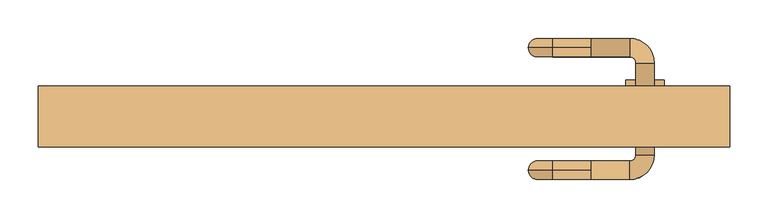
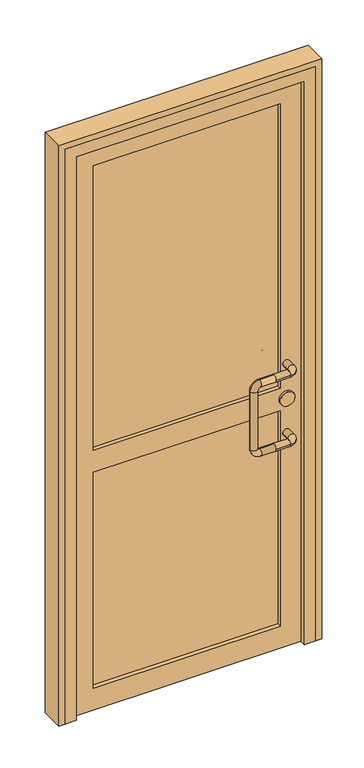
"""IFC4 building model written with IfcOpenShell, lengths in millimetres: door geometry."""

from ifc_helpers import new_model, si_unit, point, frame, frame_2d, origin, place, context, project, spatial, polyline, circle_curve, ellipse_curve, trimmed, segment, composite_curve, outline, extrude, faceted_brep, source, transform, mapped, element, save
from ifc_brep_helpers import cylinder_surface, revolved_surface, advanced_brep


def door_1bb214a2(model_context):
    return source(origin(), model_context, "Body", "SolidModel", [
        advanced_brep(
        [(270.0, 112.0, 1025.0), (270.0, 100.0, 1037.0), (270.0, 88.0, 1025.0), (320.0, 88.0, 1025.0), (320.0, 112.0, 1025.0), (270.0, 100.0, 1013.0), (328.0, 80.0, 1025.0), (352.0, 80.0, 1025.0), (328.0, -40.0, 1025.0), (352.0, -40.0, 1025.0), (320.0, -48.0, 1025.0), (320.0, -72.0, 1025.0), (270.0, -48.0, 1025.0), (270.0, -60.0, 1037.0), (270.0, -72.0, 1025.0), (270.0, -60.0, 1013.0), (220.0, 100.0, 1037.0), (220.0, 100.0, 1013.0), (188.0, 100.0, 1005.0), (212.0, 100.0, 1005.0), (188.0, 100.0, 795.0), (212.0, 100.0, 795.0), (220.0, 100.0, 763.0), (220.0, 100.0, 787.0), (270.0, 100.0, 763.0), (270.0, 88.0, 775.0), (270.0, 100.0, 787.0), (270.0, 112.0, 775.0), (320.0, 88.0, 775.0), (320.0, 112.0, 775.0), (328.0, 80.0, 775.0), (352.0, 80.0, 775.0), (328.0, -40.0, 775.0), (352.0, -40.0, 775.0), (320.0, -48.0, 775.0), (320.0, -72.0, 775.0), (270.0, -48.0, 775.0), (270.0, -60.0, 787.0), (270.0, -72.0, 775.0), (270.0, -60.0, 763.0), (220.0, -60.0, 1037.0), (220.0, -60.0, 1013.0), (188.0, -60.0, 1005.0), (212.0, -60.0, 1005.0), (188.0, -60.0, 795.0), (212.0, -60.0, 795.0), (220.0, -60.0, 763.0), (220.0, -60.0, 787.0)],
        [
            (0, 1, circle_curve(frame((270.0, 100.0, 1025.0), z_axis=(1.0, 0.0, 0.0), x_axis=(0.0, -1.0, 0.0)), 12.0)),
            (1, 2, circle_curve(frame((270.0, 100.0, 1025.0), z_axis=(1.0, 0.0, 0.0), x_axis=(0.0, -1.0, 0.0)), 12.0)),
            (2, 3),
            (3, 4, circle_curve(frame((320.0, 100.0, 1025.0), z_axis=(-1.0, 0.0, 0.0), x_axis=(0.0, -1.0, 0.0)), 12.0)),
            (4, 0),
            (4, 3, circle_curve(frame((320.0, 100.0, 1025.0), z_axis=(-1.0, 0.0, 0.0), x_axis=(0.0, -1.0, 0.0)), 12.0)),
            (2, 5, circle_curve(frame((270.0, 100.0, 1025.0), z_axis=(1.0, 0.0, 0.0), x_axis=(0.0, -1.0, 0.0)), 12.0)),
            (5, 0, circle_curve(frame((270.0, 100.0, 1025.0), z_axis=(1.0, 0.0, 0.0), x_axis=(0.0, -1.0, 0.0)), 12.0)),
            (3, 6, circle_curve(frame((320.0, 80.0, 1025.0), z_axis=(0.0, 0.0, -1.0), x_axis=(0.0, 1.0, 0.0)), 8.0)),
            (6, 7, circle_curve(frame((340.0, 80.0, 1025.0), z_axis=(0.0, 1.0, 0.0), x_axis=(-1.0, 0.0, 0.0)), 12.0)),
            (7, 4, circle_curve(frame((320.0, 80.0, 1025.0), z_axis=(0.0, 0.0, 1.0), x_axis=(0.0, 1.0, 0.0)), 32.0)),
            (7, 6, circle_curve(frame((340.0, 80.0, 1025.0), z_axis=(0.0, 1.0, 0.0), x_axis=(-1.0, 0.0, 0.0)), 12.0)),
            (6, 8),
            (8, 9, circle_curve(frame((340.0, -40.0, 1025.0), z_axis=(0.0, 1.0, 0.0), x_axis=(-1.0, 0.0, 0.0)), 12.0)),
            (9, 7),
            (9, 8, circle_curve(frame((340.0, -40.0, 1025.0), z_axis=(0.0, 1.0, 0.0), x_axis=(-1.0, 0.0, 0.0)), 12.0)),
            (8, 10, circle_curve(frame((320.0, -40.0, 1025.0), z_axis=(0.0, 0.0, -1.0), x_axis=(1.0, 0.0, 0.0)), 8.0)),
            (10, 11, circle_curve(frame((320.0, -60.0, 1025.0), z_axis=(1.0, 0.0, 0.0), x_axis=(0.0, 1.0, 0.0)), 12.0)),
            (11, 9, circle_curve(frame((320.0, -40.0, 1025.0), z_axis=(0.0, 0.0, 1.0), x_axis=(1.0, 0.0, 0.0)), 32.0)),
            (11, 10, circle_curve(frame((320.0, -60.0, 1025.0), z_axis=(1.0, 0.0, 0.0), x_axis=(0.0, 1.0, 0.0)), 12.0)),
            (10, 12),
            (12, 13, circle_curve(frame((270.0, -60.0, 1025.0), z_axis=(1.0, 0.0, 0.0), x_axis=(0.0, 1.0, 0.0)), 12.0)),
            (13, 14, circle_curve(frame((270.0, -60.0, 1025.0), z_axis=(1.0, 0.0, 0.0), x_axis=(0.0, 1.0, 0.0)), 12.0)),
            (14, 11),
            (14, 15, circle_curve(frame((270.0, -60.0, 1025.0), z_axis=(1.0, 0.0, 0.0), x_axis=(0.0, 1.0, 0.0)), 12.0)),
            (15, 12, circle_curve(frame((270.0, -60.0, 1025.0), z_axis=(1.0, 0.0, 0.0), x_axis=(0.0, 1.0, 0.0)), 12.0)),
            (1, 16),
            (16, 17, circle_curve(frame((220.0, 100.0, 1025.0), z_axis=(1.0, 0.0, 0.0), x_axis=(0.0, 0.0, 1.0)), 12.0)),
            (17, 5),
            (17, 16, circle_curve(frame((220.0, 100.0, 1025.0), z_axis=(1.0, 0.0, 0.0), x_axis=(0.0, 0.0, 1.0)), 12.0)),
            (16, 18, circle_curve(frame((220.0, 100.0, 1005.0), z_axis=(0.0, -1.0, 0.0), x_axis=(0.0, 0.0, 1.0)), 32.0)),
            (18, 19, circle_curve(frame((200.0, 100.0, 1005.0), z_axis=(0.0, 0.0, 1.0), x_axis=(-1.0, 0.0, 0.0)), 12.0)),
            (19, 17, circle_curve(frame((220.0, 100.0, 1005.0), z_axis=(0.0, 1.0, 0.0), x_axis=(0.0, 0.0, 1.0)), 8.0)),
            (19, 18, circle_curve(frame((200.0, 100.0, 1005.0), z_axis=(0.0, 0.0, 1.0), x_axis=(-1.0, 0.0, 0.0)), 12.0)),
            (18, 20),
            (20, 21, circle_curve(frame((200.0, 100.0, 795.0), z_axis=(0.0, 0.0, 1.0), x_axis=(-1.0, 0.0, 0.0)), 12.0)),
            (21, 19),
            (21, 20, circle_curve(frame((200.0, 100.0, 795.0), z_axis=(0.0, 0.0, 1.0), x_axis=(-1.0, 0.0, 0.0)), 12.0)),
            (20, 22, circle_curve(frame((220.0, 100.0, 795.0), z_axis=(0.0, -1.0, 0.0), x_axis=(-1.0, 0.0, 0.0)), 32.0)),
            (22, 23, circle_curve(frame((220.0, 100.0, 775.0), z_axis=(-1.0, 0.0, 0.0), x_axis=(0.0, 0.0, -1.0)), 12.0)),
            (23, 21, circle_curve(frame((220.0, 100.0, 795.0), z_axis=(0.0, 1.0, 0.0), x_axis=(-1.0, 0.0, 0.0)), 8.0)),
            (23, 22, circle_curve(frame((220.0, 100.0, 775.0), z_axis=(-1.0, 0.0, 0.0), x_axis=(0.0, 0.0, -1.0)), 12.0)),
            (22, 24),
            (24, 25, circle_curve(frame((270.0, 100.0, 775.0), z_axis=(-1.0, 0.0, 0.0), x_axis=(0.0, 0.0, -1.0)), 12.0)),
            (25, 26, circle_curve(frame((270.0, 100.0, 775.0), z_axis=(-1.0, 0.0, 0.0), x_axis=(0.0, 0.0, -1.0)), 12.0)),
            (26, 23),
            (26, 27, circle_curve(frame((270.0, 100.0, 775.0), z_axis=(-1.0, 0.0, 0.0), x_axis=(0.0, 0.0, -1.0)), 12.0)),
            (27, 24, circle_curve(frame((270.0, 100.0, 775.0), z_axis=(-1.0, 0.0, 0.0), x_axis=(0.0, 0.0, -1.0)), 12.0)),
            (25, 28),
            (28, 29, circle_curve(frame((320.0, 100.0, 775.0), z_axis=(-1.0, 0.0, 0.0), x_axis=(0.0, -1.0, 0.0)), 12.0)),
            (29, 27),
            (29, 28, circle_curve(frame((320.0, 100.0, 775.0), z_axis=(-1.0, 0.0, 0.0), x_axis=(0.0, -1.0, 0.0)), 12.0)),
            (28, 30, circle_curve(frame((320.0, 80.0, 775.0), z_axis=(0.0, 0.0, -1.0), x_axis=(0.0, 1.0, 0.0)), 8.0)),
            (30, 31, circle_curve(frame((340.0, 80.0, 775.0), z_axis=(0.0, 1.0, 0.0), x_axis=(-1.0, 0.0, 0.0)), 12.0)),
            (31, 29, circle_curve(frame((320.0, 80.0, 775.0), z_axis=(0.0, 0.0, 1.0), x_axis=(0.0, 1.0, 0.0)), 32.0)),
            (31, 30, circle_curve(frame((340.0, 80.0, 775.0), z_axis=(0.0, 1.0, 0.0), x_axis=(-1.0, 0.0, 0.0)), 12.0)),
            (30, 32),
            (32, 33, circle_curve(frame((340.0, -40.0, 775.0), z_axis=(0.0, 1.0, 0.0), x_axis=(-1.0, 0.0, 0.0)), 12.0)),
            (33, 31),
            (33, 32, circle_curve(frame((340.0, -40.0, 775.0), z_axis=(0.0, 1.0, 0.0), x_axis=(-1.0, 0.0, 0.0)), 12.0)),
            (32, 34, circle_curve(frame((320.0, -40.0, 775.0), z_axis=(0.0, 0.0, -1.0), x_axis=(1.0, 0.0, 0.0)), 8.0)),
            (34, 35, circle_curve(frame((320.0, -60.0, 775.0), z_axis=(1.0, 0.0, 0.0), x_axis=(0.0, 1.0, 0.0)), 12.0)),
            (35, 33, circle_curve(frame((320.0, -40.0, 775.0), z_axis=(0.0, 0.0, 1.0), x_axis=(1.0, 0.0, 0.0)), 32.0)),
            (35, 34, circle_curve(frame((320.0, -60.0, 775.0), z_axis=(1.0, 0.0, 0.0), x_axis=(0.0, 1.0, 0.0)), 12.0)),
            (34, 36),
            (36, 37, circle_curve(frame((270.0, -60.0, 775.0), z_axis=(1.0, 0.0, 0.0), x_axis=(0.0, 1.0, 0.0)), 12.0)),
            (37, 38, circle_curve(frame((270.0, -60.0, 775.0), z_axis=(1.0, 0.0, 0.0), x_axis=(0.0, 1.0, 0.0)), 12.0)),
            (38, 35),
            (38, 39, circle_curve(frame((270.0, -60.0, 775.0), z_axis=(1.0, 0.0, 0.0), x_axis=(0.0, 1.0, 0.0)), 12.0)),
            (39, 36, circle_curve(frame((270.0, -60.0, 775.0), z_axis=(1.0, 0.0, 0.0), x_axis=(0.0, 1.0, 0.0)), 12.0)),
            (13, 40),
            (40, 41, circle_curve(frame((220.0, -60.0, 1025.0), z_axis=(1.0, 0.0, 0.0), x_axis=(0.0, 0.0, 1.0)), 12.0)),
            (41, 15),
            (41, 40, circle_curve(frame((220.0, -60.0, 1025.0), z_axis=(1.0, 0.0, 0.0), x_axis=(0.0, 0.0, 1.0)), 12.0)),
            (40, 42, circle_curve(frame((220.0, -60.0, 1005.0), z_axis=(0.0, -1.0, 0.0), x_axis=(0.0, 0.0, 1.0)), 32.0)),
            (42, 43, circle_curve(frame((200.0, -60.0, 1005.0), z_axis=(0.0, 0.0, 1.0), x_axis=(-1.0, 0.0, 0.0)), 12.0)),
            (43, 41, circle_curve(frame((220.0, -60.0, 1005.0), z_axis=(0.0, 1.0, 0.0), x_axis=(0.0, 0.0, 1.0)), 8.0)),
            (43, 42, circle_curve(frame((200.0, -60.0, 1005.0), z_axis=(0.0, 0.0, 1.0), x_axis=(-1.0, 0.0, 0.0)), 12.0)),
            (42, 44),
            (44, 45, circle_curve(frame((200.0, -60.0, 795.0), z_axis=(0.0, 0.0, 1.0), x_axis=(-1.0, 0.0, 0.0)), 12.0)),
            (45, 43),
            (45, 44, circle_curve(frame((200.0, -60.0, 795.0), z_axis=(0.0, 0.0, 1.0), x_axis=(-1.0, 0.0, 0.0)), 12.0)),
            (44, 46, circle_curve(frame((220.0, -60.0, 795.0), z_axis=(0.0, -1.0, 0.0), x_axis=(-1.0, 0.0, 0.0)), 32.0)),
            (46, 47, circle_curve(frame((220.0, -60.0, 775.0), z_axis=(-1.0, 0.0, 0.0), x_axis=(0.0, 0.0, -1.0)), 12.0)),
            (47, 45, circle_curve(frame((220.0, -60.0, 795.0), z_axis=(0.0, 1.0, 0.0), x_axis=(-1.0, 0.0, 0.0)), 8.0)),
            (47, 46, circle_curve(frame((220.0, -60.0, 775.0), z_axis=(-1.0, 0.0, 0.0), x_axis=(0.0, 0.0, -1.0)), 12.0)),
            (46, 39),
            (37, 47),
        ],
        [
            cylinder_surface(frame((270.0, 100.0, 1025.0), z_axis=(-1.0, 0.0, 0.0), x_axis=(0.0, -1.0, 0.0)), 12.0),
            revolved_surface(trimmed(ellipse_curve(frame((320.0, 100.0, 1025.0), z_axis=(1.0, 0.0, 0.0), x_axis=(0.0, -1.0, 0.0)), 12.0, 12.0), [point((320.0, 112.0, 1025.0))], [point((320.0, 88.0, 1025.0))], True, "CARTESIAN"), (320.0, 80.0, 1025.0), (0.0, 0.0, 1.0)),
            revolved_surface(trimmed(ellipse_curve(frame((320.0, 100.0, 1025.0), z_axis=(1.0, 0.0, 0.0), x_axis=(0.0, -1.0, 0.0)), 12.0, 12.0), [point((320.0, 88.0, 1025.0))], [point((320.0, 112.0, 1025.0))], True, "CARTESIAN"), (320.0, 80.0, 1025.0), (0.0, 0.0, 1.0)),
            cylinder_surface(frame((340.0, 80.0, 1025.0), z_axis=(0.0, 1.0, 0.0), x_axis=(-1.0, 0.0, 0.0)), 12.0),
            revolved_surface(trimmed(ellipse_curve(frame((340.0, -40.0, 1025.0), z_axis=(0.0, -1.0, 0.0), x_axis=(-1.0, 0.0, 0.0)), 12.0, 12.0), [point((352.0, -40.0, 1025.0))], [point((328.0, -40.0, 1025.0))], True, "CARTESIAN"), (320.0, -40.0, 1025.0), (0.0, 0.0, 1.0)),
            revolved_surface(trimmed(ellipse_curve(frame((340.0, -40.0, 1025.0), z_axis=(0.0, -1.0, 0.0), x_axis=(-1.0, 0.0, 0.0)), 12.0, 12.0), [point((328.0, -40.0, 1025.0))], [point((352.0, -40.0, 1025.0))], True, "CARTESIAN"), (320.0, -40.0, 1025.0), (0.0, 0.0, 1.0)),
            cylinder_surface(frame((320.0, -60.0, 1025.0), z_axis=(1.0, 0.0, 0.0), x_axis=(0.0, 1.0, 0.0)), 12.0),
            cylinder_surface(frame((270.0, 100.0, 1025.0), z_axis=(1.0, 0.0, 0.0), x_axis=(0.0, 0.0, 1.0)), 12.0),
            revolved_surface(trimmed(ellipse_curve(frame((220.0, 100.0, 1025.0), z_axis=(-1.0, 0.0, 0.0), x_axis=(0.0, 0.0, 1.0)), 12.0, 12.0), [point((220.0, 100.0, 1013.0))], [point((220.0, 100.0, 1037.0))], True, "CARTESIAN"), (220.0, 100.0, 1005.0), (0.0, 1.0, 0.0)),
            revolved_surface(trimmed(ellipse_curve(frame((220.0, 100.0, 1025.0), z_axis=(-1.0, 0.0, 0.0), x_axis=(0.0, 0.0, 1.0)), 12.0, 12.0), [point((220.0, 100.0, 1037.0))], [point((220.0, 100.0, 1013.0))], True, "CARTESIAN"), (220.0, 100.0, 1005.0), (0.0, 1.0, 0.0)),
            cylinder_surface(frame((200.0, 100.0, 1005.0), z_axis=(0.0, 0.0, 1.0), x_axis=(-1.0, 0.0, 0.0)), 12.0),
            revolved_surface(trimmed(ellipse_curve(frame((200.0, 100.0, 795.0), z_axis=(0.0, 0.0, -1.0), x_axis=(-1.0, 0.0, 0.0)), 12.0, 12.0), [point((212.0, 100.0, 795.0))], [point((188.0, 100.0, 795.0))], True, "CARTESIAN"), (220.0, 100.0, 795.0), (0.0, 1.0, 0.0)),
            revolved_surface(trimmed(ellipse_curve(frame((200.0, 100.0, 795.0), z_axis=(0.0, 0.0, -1.0), x_axis=(-1.0, 0.0, 0.0)), 12.0, 12.0), [point((188.0, 100.0, 795.0))], [point((212.0, 100.0, 795.0))], True, "CARTESIAN"), (220.0, 100.0, 795.0), (0.0, 1.0, 0.0)),
            cylinder_surface(frame((220.0, 100.0, 775.0), z_axis=(-1.0, 0.0, 0.0), x_axis=(0.0, 0.0, -1.0)), 12.0),
            cylinder_surface(frame((270.0, 100.0, 775.0), z_axis=(-1.0, 0.0, 0.0), x_axis=(0.0, -1.0, 0.0)), 12.0),
            revolved_surface(trimmed(ellipse_curve(frame((320.0, 100.0, 775.0), z_axis=(1.0, 0.0, 0.0), x_axis=(0.0, -1.0, 0.0)), 12.0, 12.0), [point((320.0, 112.0, 775.0))], [point((320.0, 88.0, 775.0))], True, "CARTESIAN"), (320.0, 80.0, 775.0), (0.0, 0.0, 1.0)),
            revolved_surface(trimmed(ellipse_curve(frame((320.0, 100.0, 775.0), z_axis=(1.0, 0.0, 0.0), x_axis=(0.0, -1.0, 0.0)), 12.0, 12.0), [point((320.0, 88.0, 775.0))], [point((320.0, 112.0, 775.0))], True, "CARTESIAN"), (320.0, 80.0, 775.0), (0.0, 0.0, 1.0)),
            cylinder_surface(frame((340.0, 80.0, 775.0), z_axis=(0.0, 1.0, 0.0), x_axis=(-1.0, 0.0, 0.0)), 12.0),
            revolved_surface(trimmed(ellipse_curve(frame((340.0, -40.0, 775.0), z_axis=(0.0, -1.0, 0.0), x_axis=(-1.0, 0.0, 0.0)), 12.0, 12.0), [point((352.0, -40.0, 775.0))], [point((328.0, -40.0, 775.0))], True, "CARTESIAN"), (320.0, -40.0, 775.0), (0.0, 0.0, 1.0)),
            revolved_surface(trimmed(ellipse_curve(frame((340.0, -40.0, 775.0), z_axis=(0.0, -1.0, 0.0), x_axis=(-1.0, 0.0, 0.0)), 12.0, 12.0), [point((328.0, -40.0, 775.0))], [point((352.0, -40.0, 775.0))], True, "CARTESIAN"), (320.0, -40.0, 775.0), (0.0, 0.0, 1.0)),
            cylinder_surface(frame((320.0, -60.0, 775.0), z_axis=(1.0, 0.0, 0.0), x_axis=(0.0, 1.0, 0.0)), 12.0),
            cylinder_surface(frame((270.0, -60.0, 1025.0), z_axis=(1.0, 0.0, 0.0), x_axis=(0.0, 0.0, 1.0)), 12.0),
            revolved_surface(trimmed(ellipse_curve(frame((220.0, -60.0, 1025.0), z_axis=(-1.0, 0.0, 0.0), x_axis=(0.0, 0.0, 1.0)), 12.0, 12.0), [point((220.0, -60.0, 1013.0))], [point((220.0, -60.0, 1037.0))], True, "CARTESIAN"), (220.0, -60.0, 1005.0), (0.0, 1.0, 0.0)),
            revolved_surface(trimmed(ellipse_curve(frame((220.0, -60.0, 1025.0), z_axis=(-1.0, 0.0, 0.0), x_axis=(0.0, 0.0, 1.0)), 12.0, 12.0), [point((220.0, -60.0, 1037.0))], [point((220.0, -60.0, 1013.0))], True, "CARTESIAN"), (220.0, -60.0, 1005.0), (0.0, 1.0, 0.0)),
            cylinder_surface(frame((200.0, -60.0, 1005.0), z_axis=(0.0, 0.0, 1.0), x_axis=(-1.0, 0.0, 0.0)), 12.0),
            revolved_surface(trimmed(ellipse_curve(frame((200.0, -60.0, 795.0), z_axis=(0.0, 0.0, -1.0), x_axis=(-1.0, 0.0, 0.0)), 12.0, 12.0), [point((212.0, -60.0, 795.0))], [point((188.0, -60.0, 795.0))], True, "CARTESIAN"), (220.0, -60.0, 795.0), (0.0, 1.0, 0.0)),
            revolved_surface(trimmed(ellipse_curve(frame((200.0, -60.0, 795.0), z_axis=(0.0, 0.0, -1.0), x_axis=(-1.0, 0.0, 0.0)), 12.0, 12.0), [point((188.0, -60.0, 795.0))], [point((212.0, -60.0, 795.0))], True, "CARTESIAN"), (220.0, -60.0, 795.0), (0.0, 1.0, 0.0)),
            cylinder_surface(frame((220.0, -60.0, 775.0), z_axis=(-1.0, 0.0, 0.0), x_axis=(0.0, 0.0, -1.0)), 12.0),
        ],
        [
            (0, [[1, 2, 3, 4, 5]]),
            (0, [[6, -3, 7, 8, -5]]),
            (1, [[9, 10, 11, -4]]),
            (2, [[-11, 12, -9, -6]]),
            (3, [[13, 14, 15, -10]]),
            (3, [[-15, 16, -13, -12]]),
            (4, [[17, 18, 19, -14]]),
            (5, [[-19, 20, -17, -16]]),
            (6, [[21, 22, 23, 24, -18]]),
            (6, [[-24, 25, 26, -21, -20]]),
            (7, [[-7, -2, 27, 28, 29]]),
            (7, [[30, -27, -1, -8, -29]]),
            (8, [[31, 32, 33, -28]]),
            (9, [[-33, 34, -31, -30]]),
            (10, [[35, 36, 37, -32]]),
            (10, [[-37, 38, -35, -34]]),
            (11, [[39, 40, 41, -36]]),
            (12, [[-41, 42, -39, -38]]),
            (13, [[43, 44, 45, 46, -40]]),
            (13, [[-46, 47, 48, -43, -42]]),
            (14, [[-47, -45, 49, 50, 51]]),
            (14, [[52, -49, -44, -48, -51]]),
            (15, [[53, 54, 55, -50]]),
            (16, [[-55, 56, -53, -52]]),
            (17, [[57, 58, 59, -54]]),
            (17, [[-59, 60, -57, -56]]),
            (18, [[61, 62, 63, -58]]),
            (19, [[-63, 64, -61, -60]]),
            (20, [[65, 66, 67, 68, -62]]),
            (20, [[-68, 69, 70, -65, -64]]),
            (21, [[-25, -23, 71, 72, 73]]),
            (21, [[74, -71, -22, -26, -73]]),
            (22, [[75, 76, 77, -72]]),
            (23, [[-77, 78, -75, -74]]),
            (24, [[79, 80, 81, -76]]),
            (24, [[-81, 82, -79, -78]]),
            (25, [[83, 84, 85, -80]]),
            (26, [[-85, 86, -83, -82]]),
            (27, [[87, -69, -67, 88, -84]]),
            (27, [[-88, -66, -70, -87, -86]]),
        ],
    ),
        extrude(outline(composite_curve([segment(trimmed(circle_curve(frame_2d((900.0, 340.0)), 25.0), [point((900.0, 365.0))], [point((900.0, 315.0))], False, "CARTESIAN"), True, "CONTINUOUS"), segment(trimmed(circle_curve(frame_2d((900.0, 340.0)), 25.0), [point((900.0, 315.0))], [point((900.0, 365.0))], False, "CARTESIAN"), True, "CONTINUOUS")], self_intersect=False)), frame((0.0, -18.0, 0.0), z_axis=(0.0, 1.0, 0.0), x_axis=(0.0, 0.0, 1.0)), (0.0, 0.0, 1.0), 76.0),
        extrude(outline(polyline([(-320.0, 35.0), (320.0, 35.0), (320.0, 5.0), (-320.0, 5.0), (-320.0, 35.0)])), frame((0.0, 0.0, 80.0), z_axis=(0.0, 0.0, 1.0), x_axis=(1.0, 0.0, 0.0)), (0.0, 0.0, 1.0), 1890.0),
        extrude(outline(polyline([(2050.0, 400.0), (2050.0, -400.0), (0.0, -400.0), (0.0, 400.0), (2050.0, 400.0)]), holes=[polyline([(940.0, -320.0), (1970.0, -320.0), (1970.0, 320.0), (940.0, 320.0), (940.0, -320.0)]), polyline([(80.0, 320.0), (80.0, -320.0), (860.0, -320.0), (860.0, 320.0), (80.0, 320.0)])]), frame((0.0, -10.0, 0.0), z_axis=(0.0, 1.0, 0.0), x_axis=(0.0, 0.0, 1.0)), (0.0, 0.0, 1.0), 60.0),
        extrude(outline(polyline([(0.0, 450.0), (2100.0, 450.0), (2100.0, -450.0), (0.0, -450.0), (0.0, -430.0), (2080.0, -430.0), (2080.0, 430.0), (0.0, 430.0), (0.0, 450.0)])), frame((0.0, -30.0, 0.0), z_axis=(0.0, 1.0, 0.0), x_axis=(0.0, 0.0, 1.0)), (0.0, 0.0, 1.0), 80.0),
        faceted_brep([(-430.0, -30.0, 0.0), (-430.0, 50.0, 0.0), (-400.0, 50.0, 0.0), (-400.0, -10.0, 0.0), (-390.0, -10.0, 0.0), (-390.0, -30.0, 0.0), (-430.0, -30.0, 2080.0), (-430.0, 50.0, 2080.0), (430.0, 50.0, 2080.0), (430.0, 50.0, 0.0), (400.0, 50.0, 0.0), (400.0, 50.0, 2050.0), (-400.0, 50.0, 2050.0), (-400.0, -10.0, 2050.0), (400.0, -10.0, 2050.0), (400.0, -10.0, 0.0), (390.0, -10.0, 0.0), (390.0, -10.0, 2040.0), (-390.0, -10.0, 2040.0), (-390.0, -30.0, 2040.0), (390.0, -30.0, 2040.0), (390.0, -30.0, 0.0), (430.0, -30.0, 0.0), (430.0, -30.0, 2080.0)], [[[0, 1, 2, 3, 4, 5]], [[1, 0, 6, 7]], [[2, 1, 7, 8, 9, 10, 11, 12]], [[3, 2, 12, 13]], [[4, 3, 13, 14, 15, 16, 17, 18]], [[5, 4, 18, 19]], [[0, 5, 19, 20, 21, 22, 23, 6]], [[7, 6, 23, 8]], [[13, 12, 11, 14]], [[19, 18, 17, 20]], [[22, 21, 16, 15, 10, 9]], [[8, 23, 22, 9]], [[14, 11, 10, 15]], [[20, 17, 16, 21]]]),
    ])


if __name__ == "__main__":
    model = new_model("IFC4")
    model_context = context("Model", 3, world=origin())
    ifc_project = project(units=[si_unit("LENGTHUNIT", "METRE", prefix="MILLI")], contexts=[model_context])
    site = spatial("IfcSite", under=ifc_project)
    building = spatial("IfcBuilding", under=site)
    placement = place(None, origin())
    door_shape = door_1bb214a2(model_context)
    element("IfcDoor", 1, at=placement, inside=building, context=model_context, shape_type="MappedRepresentation", body=[
        mapped(door_shape, transform((0.0, 0.0, 0.0), x_axis=(1.0, 0.0, 0.0), y_axis=(0.0, 1.0, 0.0), z_axis=(0.0, 0.0, 1.0))),
    ])
    save(model, "model.ifc")
